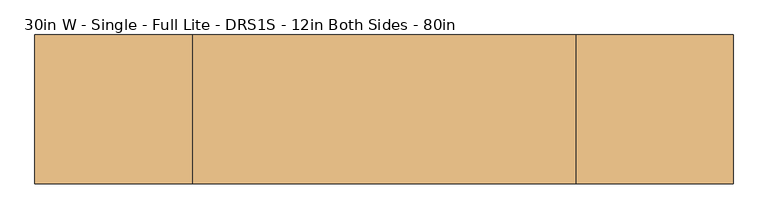
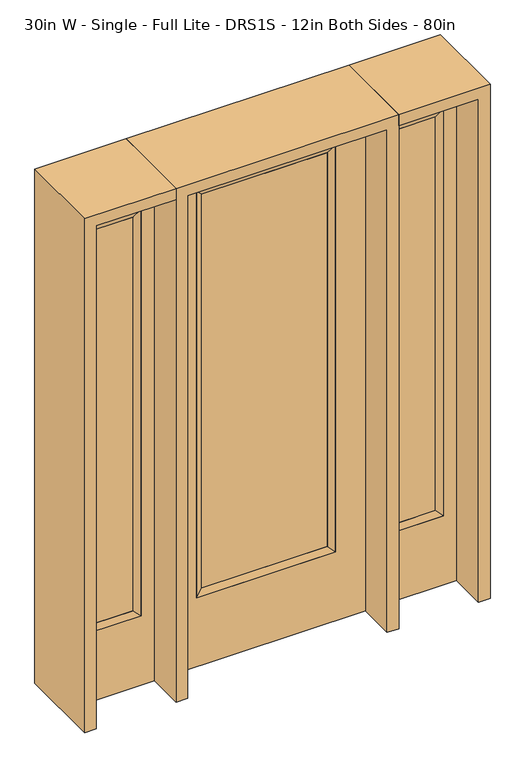
"""IFC4 building model written with IfcOpenShell, lengths in millimetres: door geometry, 30in W - Single - Full Lite - DRS1S - 12in Both Sides - 80in."""

import ifcopenshell
import ifcopenshell.guid

model = None  # the IFC model being written
_history = None  # IfcOwnerHistory: only IFC2X3 demands one
_inside = {}  # id of a spatial element -> (the spatial element, [elements in it])
_under = {}  # id of a project, library or spatial element -> (it, [spatial elements below it])
_declared = {}  # id of a project -> (the project, [libraries it declares])
_typed = {}  # id of a type object -> (the type object, [elements of that type])
_made_of = {}  # id of a material, layer set ... -> (it, [elements and type objects made of it])


def new_model(schema):
    """Start an empty IFC model of exactly this schema.

    Asked for "IFC4X3", IfcOpenShell would pick the latest addendum, in which some entities
    have other attributes; the version numbers below select the first issue.
    IFC2X3 requires an IfcOwnerHistory on every rooted entity: one is made here for all.
    """
    global model, _history
    if schema == "IFC4X3":
        model = ifcopenshell.file(schema_version=(4, 3, 0, 0))
    else:
        model = ifcopenshell.file(schema=schema)
    _inside.clear()
    _under.clear()
    _declared.clear()
    _typed.clear()
    _made_of.clear()
    _history = None
    if model.schema == "IFC2X3":
        org = make("IfcOrganization", Name="unknown")
        user = make(
            "IfcPersonAndOrganization",
            ThePerson=make("IfcPerson", FamilyName="unknown"),
            TheOrganization=org,
        )
        app = make(
            "IfcApplication",
            ApplicationDeveloper=org,
            Version="unknown",
            ApplicationFullName="unknown",
            ApplicationIdentifier="unknown",
        )
        _history = make(
            "IfcOwnerHistory",
            OwningUser=user,
            OwningApplication=app,
            ChangeAction="ADDED",
            CreationDate=0,
        )
    return model


def make(cls, **values):
    """One entity of the class cls with the attributes given. An attribute that is None is left unset."""
    return model.create_entity(
        cls, **{name: value for name, value in values.items() if value is not None}
    )


def rooted(cls, **values):
    """An entity with a GlobalId (a new one), such as an element, a storey or a relation."""
    return make(cls, GlobalId=ifcopenshell.guid.new(), OwnerHistory=_history, **values)


def si_unit(unit_type, name, prefix=None):
    """IfcSIUnit, for example si_unit("LENGTHUNIT", "METRE", prefix="MILLI")."""
    return make("IfcSIUnit", UnitType=unit_type, Prefix=prefix, Name=name)


def assignment(units):
    """IfcUnitAssignment: the units of a project."""
    return None if units is None else make("IfcUnitAssignment", Units=units)


def point(xyz):
    """IfcCartesianPoint."""
    return None if xyz is None else make("IfcCartesianPoint", Coordinates=xyz)


def direction(xyz):
    """IfcDirection."""
    return None if xyz is None else make("IfcDirection", DirectionRatios=xyz)


def frame(location, z_axis=None, x_axis=None):
    """IfcAxis2Placement3D, a coordinate frame: its origin and axes. An axis left out is left unset."""
    return make(
        "IfcAxis2Placement3D",
        Location=point(location),
        Axis=direction(z_axis),
        RefDirection=direction(x_axis),
    )


def origin():
    """The frame at (0, 0, 0) with its axes left unset."""
    return frame((0.0, 0.0, 0.0))


def place(relative_to, where):
    """IfcLocalPlacement: puts the frame where relative to a parent placement (None: the world)."""
    return make(
        "IfcLocalPlacement", PlacementRelTo=relative_to, RelativePlacement=where
    )


def context(
    kind, dimensions, precision=None, world=None, true_north=None, identifier=None
):
    """IfcGeometricRepresentationContext, for example the 3D "Model" context."""
    return make(
        "IfcGeometricRepresentationContext",
        ContextIdentifier=identifier,
        ContextType=kind,
        CoordinateSpaceDimension=dimensions,
        Precision=precision,
        WorldCoordinateSystem=world,
        TrueNorth=true_north,
    )


def project(units=None, contexts=None):
    """IfcProject with its units and contexts."""
    return rooted(
        "IfcProject",
        Name="project",
        RepresentationContexts=contexts,
        UnitsInContext=assignment(units),
    )


def spatial(cls, under=None, at=None, **own):
    """A site, building, storey or space (cls), placed at a placement, below another one or the project."""
    s = rooted(cls, ObjectPlacement=at, **own)
    if under is not None:
        _under.setdefault(under.id(), (under, []))[1].append(s)
    return s


def polyline(points):
    """IfcPolyline through the points."""
    return make("IfcPolyline", Points=[point(p) for p in points])


def outline(outer, holes=None, kind="AREA"):
    """IfcArbitraryClosedProfileDef: a profile drawn as a closed curve; with holes, ...WithVoids."""
    if holes is None:
        return make("IfcArbitraryClosedProfileDef", ProfileType=kind, OuterCurve=outer)
    return make(
        "IfcArbitraryProfileDefWithVoids",
        ProfileType=kind,
        OuterCurve=outer,
        InnerCurves=holes,
    )


def extrude(swept, where, along, depth):
    """IfcExtrudedAreaSolid: the profile swept, set in the frame where, extruded along a direction by depth."""
    return make(
        "IfcExtrudedAreaSolid",
        SweptArea=swept,
        Position=where,
        ExtrudedDirection=direction(along),
        Depth=depth,
    )


def faces_of(points, faces, orient=None, outer=None):
    """IfcFace entities. A face is a list of loops; a loop is a list of indices into points, from 0.

    orient and outer hold one flag for each loop. By default every Orientation is true, the
    first loop of a face is its IfcFaceOuterBound and the others are IfcFaceBound.
    """
    made = []
    for i, loops in enumerate(faces):
        bounds = []
        for j, loop in enumerate(loops):
            is_outer = j == 0 if outer is None else outer[i][j]
            bounds.append(
                make(
                    "IfcFaceOuterBound" if is_outer else "IfcFaceBound",
                    Bound=make("IfcPolyLoop", Polygon=[points[k] for k in loop]),
                    Orientation=True if orient is None else orient[i][j],
                )
            )
        made.append(make("IfcFace", Bounds=bounds))
    return made


def faceted_brep(points, faces, orient=None, outer=None, voids=None):
    """IfcFacetedBrep: a solid bounded by flat faces; with voids (closed shells), ...WithVoids."""
    shared = [point(p) for p in points]
    hull = make("IfcClosedShell", CfsFaces=faces_of(shared, faces, orient, outer))
    if voids is None:
        return make("IfcFacetedBrep", Outer=hull)
    return make(
        "IfcFacetedBrepWithVoids",
        Outer=hull,
        Voids=[
            make(cls, CfsFaces=faces_of(shared, fs, o, b)) for cls, fs, o, b in voids
        ],
    )


def shape(context_of_items, identifier, shape_type, items):
    """IfcShapeRepresentation: the items that make up one representation, for example the "Body"."""
    return make(
        "IfcShapeRepresentation",
        ContextOfItems=context_of_items,
        RepresentationIdentifier=identifier,
        RepresentationType=shape_type,
        Items=items,
    )


def source(mapping_origin, context_of_items, identifier, shape_type, items):
    """IfcRepresentationMap: a shape defined once, which mapped items show again and again."""
    return make(
        "IfcRepresentationMap",
        MappingOrigin=mapping_origin,
        MappedRepresentation=shape(context_of_items, identifier, shape_type, items),
    )


def transform(
    local_origin,
    x_axis=None,
    y_axis=None,
    z_axis=None,
    scale=None,
    scale2=None,
    scale3=None,
    uniform=True,
):
    """IfcCartesianTransformationOperator3D, or its non-uniform kind. x_axis, y_axis, z_axis: its Axis1, 2, 3."""
    if uniform:
        return make(
            "IfcCartesianTransformationOperator3D",
            Axis1=direction(x_axis),
            Axis2=direction(y_axis),
            LocalOrigin=point(local_origin),
            Scale=scale,
            Axis3=direction(z_axis),
        )
    return make(
        "IfcCartesianTransformationOperator3DnonUniform",
        Axis1=direction(x_axis),
        Axis2=direction(y_axis),
        LocalOrigin=point(local_origin),
        Scale=scale,
        Axis3=direction(z_axis),
        Scale2=scale2,
        Scale3=scale3,
    )


def mapped(mapping_source, mapping_target):
    """IfcMappedItem: shows the shape of a source again, moved by a transform."""
    return make(
        "IfcMappedItem", MappingSource=mapping_source, MappingTarget=mapping_target
    )


def made_of(thing, what):
    """Note that an element or type object is made of a material, layer set ...; save() writes the relation."""
    if what is not None:
        _made_of.setdefault(what.id(), (what, []))[1].append(thing)
    return thing


def element(
    cls,
    number,
    at=None,
    inside=None,
    cuts=None,
    type_object=None,
    material=None,
    context=None,
    identifier="Body",
    shape_type=None,
    held_by="IfcProductDefinitionShape",
    body=None,
    shapes=None,
    **own,
):
    """One element of the class cls, such as IfcWall. Its Tag is "e" and its number.

    at: its placement. inside: the storey or other place that contains it. cuts: it is an
    opening in that element (IfcRelVoidsElement). A single representation is given by context,
    identifier, shape_type and body (its items); several are given by shapes. held_by: the class
    of the entity that holds the representations. save() writes the other relations.
    """
    e = rooted(cls, Tag="e%d" % number, ObjectPlacement=at, **own)
    if body is not None:
        shapes = [shape(context, identifier, shape_type, body)]
    if shapes is not None:
        e.Representation = make(held_by, Representations=shapes)
    if inside is not None:
        _inside.setdefault(inside.id(), (inside, []))[1].append(e)
    if cuts is not None:
        rooted(
            "IfcRelVoidsElement", RelatingBuildingElement=cuts, RelatedOpeningElement=e
        )
    if type_object is not None:
        _typed.setdefault(type_object.id(), (type_object, []))[1].append(e)
    return made_of(e, material)


def aggregate(whole, parts):
    """IfcRelAggregates: a whole, such as a stair, and the parts it consists of."""
    return rooted("IfcRelAggregates", RelatingObject=whole, RelatedObjects=parts)


def save(model, path):
    """Write the relations noted so far, then the file.

    IfcRelAggregates (storeys below a building ...), IfcRelContainedInSpatialStructure (elements
    in a storey), IfcRelDefinesByType, IfcRelAssociatesMaterial and IfcRelDeclares: one each for
    every whole, place, type object, material and project.
    """
    for whole, parts in _under.values():
        aggregate(whole, parts)
    for where, things in _inside.values():
        rooted(
            "IfcRelContainedInSpatialStructure",
            RelatedElements=things,
            RelatingStructure=where,
        )
    for kind, things in _typed.values():
        rooted("IfcRelDefinesByType", RelatedObjects=things, RelatingType=kind)
    for what, things in _made_of.values():
        rooted("IfcRelAssociatesMaterial", RelatedObjects=things, RelatingMaterial=what)
    for by, libraries in _declared.values():
        rooted("IfcRelDeclares", RelatingContext=by, RelatedDefinitions=libraries)
    model.write(path)


def door_30in_w_single_full_lite_drs1s_12in_both_sides_80in_d35978b4(model_context):
    return source(origin(), model_context, "Body", "SolidModel", [
        extrude(outline(polyline([(240.1824, -12.7039749), (-240.1824, -12.7039749), (-240.1824, 14.2875), (240.1824, 14.2875), (240.1824, -12.7039749)])), frame((0.0, 0.0, 304.8), z_axis=(0.0, 0.0, 1.0), x_axis=(1.0, 0.0, 0.0)), (0.0, 0.0, 1.0), 1591.1576),
        faceted_brep([(240.1824, 14.2875, 1895.9576), (265.5824, 22.225, 1921.3576), (265.5824, 22.225, 279.4), (240.1824, 14.2875, 304.8), (265.5824, -22.225, 1921.3576), (265.5824, -22.225, 279.4), (-265.5824, 22.225, 279.4), (-240.1824, 14.2875, 304.8), (240.1824, -12.7039749, 1895.9576), (240.1824, -12.7039749, 304.8), (-240.1824, -12.7039749, 304.8), (-265.5824, -22.225, 279.4), (-265.5824, 22.225, 1921.3576), (-240.1824, 14.2875, 1895.9576), (-240.1824, -12.7039749, 1895.9576), (-265.5824, -22.225, 1921.3576)], [[[0, 1, 2, 3]], [[1, 4, 5, 2]], [[3, 2, 6, 7]], [[8, 0, 3, 9]], [[9, 3, 7, 10]], [[4, 8, 9, 5]], [[5, 9, 10, 11]], [[2, 5, 11, 6]], [[7, 6, 12, 13]], [[10, 7, 13, 14]], [[11, 10, 14, 15]], [[6, 11, 15, 12]], [[13, 12, 1, 0]], [[14, 13, 0, 8]], [[15, 14, 8, 4]], [[12, 15, 4, 1]]]),
        extrude(outline(polyline([(0.0, -381.0), (0.0, 381.0), (2032.0, 381.0), (2032.0, -381.0), (0.0, -381.0)]), holes=[polyline([(279.4, -265.5824), (1921.3576, -265.5824), (1921.3576, 265.5824), (279.4, 265.5824), (279.4, -265.5824)])]), frame((0.0, -22.225, 0.0), z_axis=(0.0, 1.0, 0.0), x_axis=(0.0, 0.0, 1.0)), (0.0, 0.0, 1.0), 44.45),
        faceted_brep([(476.25, 20.6375, 1920.875), (476.25, 20.6375, 279.4), (476.25, -20.6375, 279.4), (476.25, -20.6375, 1920.875), (501.65, -12.7, 304.8), (501.65, -12.7, 1895.475), (679.45, 20.6375, 279.4), (679.45, -20.6375, 279.4), (501.65, 12.7, 1895.475), (501.65, 12.7, 304.8), (654.05, 12.7, 304.8), (654.05, -12.7, 304.8), (679.45, 20.6375, 1920.875), (679.45, -20.6375, 1920.875), (654.05, 12.7, 1895.475), (654.05, -12.7, 1895.475)], [[[0, 1, 2, 3]], [[3, 2, 4, 5]], [[1, 6, 7, 2]], [[8, 9, 1, 0]], [[9, 10, 6, 1]], [[5, 4, 9, 8]], [[4, 11, 10, 9]], [[2, 7, 11, 4]], [[6, 12, 13, 7]], [[10, 14, 12, 6]], [[11, 15, 14, 10]], [[7, 13, 15, 11]], [[12, 0, 3, 13]], [[14, 8, 0, 12]], [[15, 5, 8, 14]], [[13, 3, 5, 15]]]),
        extrude(outline(polyline([(0.0, 730.25), (2032.0, 730.25), (2032.0, 425.45), (0.0, 425.45), (0.0, 730.25)]), holes=[polyline([(1920.875, 476.25), (1920.875, 679.45), (279.4, 679.45), (279.4, 476.25), (1920.875, 476.25)])]), frame((0.0, -20.6375, 0.0), z_axis=(0.0, 1.0, 0.0), x_axis=(0.0, 0.0, 1.0)), (0.0, 0.0, 1.0), 41.275),
        extrude(outline(polyline([(501.65, -12.7), (501.65, 12.7), (654.05, 12.7), (654.05, -12.7), (501.65, -12.7)])), frame((0.0, 0.0, 304.8), z_axis=(0.0, 0.0, 1.0), x_axis=(1.0, 0.0, 0.0)), (0.0, 0.0, 1.0), 1590.675),
        faceted_brep([(-476.25, 20.6375, 1920.875), (-476.25, -20.6375, 1920.875), (-476.25, -20.6375, 279.4), (-476.25, 20.6375, 279.4), (-501.65, -12.7, 1895.475), (-501.65, -12.7, 304.8), (-679.45, -20.6375, 279.4), (-679.45, 20.6375, 279.4), (-501.65, 12.7, 1895.475), (-501.65, 12.7, 304.8), (-654.05, 12.7, 304.8), (-654.05, -12.7, 304.8), (-679.45, -20.6375, 1920.875), (-679.45, 20.6375, 1920.875), (-654.05, 12.7, 1895.475), (-654.05, -12.7, 1895.475)], [[[0, 1, 2, 3]], [[1, 4, 5, 2]], [[3, 2, 6, 7]], [[8, 0, 3, 9]], [[9, 3, 7, 10]], [[4, 8, 9, 5]], [[5, 9, 10, 11]], [[2, 5, 11, 6]], [[7, 6, 12, 13]], [[10, 7, 13, 14]], [[11, 10, 14, 15]], [[6, 11, 15, 12]], [[13, 12, 1, 0]], [[14, 13, 0, 8]], [[15, 14, 8, 4]], [[12, 15, 4, 1]]]),
        extrude(outline(polyline([(0.0, -730.25), (0.0, -425.45), (2032.0, -425.45), (2032.0, -730.25), (0.0, -730.25)]), holes=[polyline([(1920.875, -476.25), (279.4, -476.25), (279.4, -679.45), (1920.875, -679.45), (1920.875, -476.25)])]), frame((0.0, -20.6375, 0.0), z_axis=(0.0, 1.0, 0.0), x_axis=(0.0, 0.0, 1.0)), (0.0, 0.0, 1.0), 41.275),
        extrude(outline(polyline([(-501.65, -12.7), (-654.05, -12.7), (-654.05, 12.7), (-501.65, 12.7), (-501.65, -12.7)])), frame((0.0, 0.0, 304.8), z_axis=(0.0, 0.0, 1.0), x_axis=(1.0, 0.0, 0.0)), (0.0, 0.0, 1.0), 1590.675),
        extrude(outline(polyline([(2032.0, -425.45), (2076.45, -425.45), (2076.45, -774.7), (0.0, -774.7), (0.0, -730.25), (2032.0, -730.25), (2032.0, -425.45)])), frame((0.0, -165.1, 0.0), z_axis=(0.0, 1.0, 0.0), x_axis=(0.0, 0.0, 1.0)), (0.0, 0.0, 1.0), 330.2),
        extrude(outline(polyline([(2076.45, -425.45), (0.0, -425.45), (0.0, -381.0), (2032.0, -381.0), (2032.0, 381.0), (0.0, 381.0), (0.0, 425.45), (2076.45, 425.45), (2076.45, -425.45)])), frame((0.0, -165.1, 0.0), z_axis=(0.0, 1.0, 0.0), x_axis=(0.0, 0.0, 1.0)), (0.0, 0.0, 1.0), 330.2),
        extrude(outline(polyline([(0.0, 730.25), (0.0, 774.7), (2076.45, 774.7), (2076.45, 425.45), (2032.0, 425.45), (2032.0, 730.25), (0.0, 730.25)])), frame((0.0, -165.1, 0.0), z_axis=(0.0, 1.0, 0.0), x_axis=(0.0, 0.0, 1.0)), (0.0, 0.0, 1.0), 330.2),
    ])


if __name__ == "__main__":
    model = new_model("IFC4")
    model_context = context("Model", 3, world=origin())
    ifc_project = project(units=[si_unit("LENGTHUNIT", "METRE", prefix="MILLI")], contexts=[model_context])
    site = spatial("IfcSite", under=ifc_project)
    building = spatial("IfcBuilding", under=site)
    placement = place(None, origin())
    door_30in_w_single_full_lite_drs1s_12in_both_sides_80in_shape = door_30in_w_single_full_lite_drs1s_12in_both_sides_80in_d35978b4(model_context)
    element("IfcDoor", 1, ObjectType="30in W - Single - Full Lite - DRS1S - 12in Both Sides - 80in", at=placement, inside=building, context=model_context, shape_type="MappedRepresentation", body=[
        mapped(door_30in_w_single_full_lite_drs1s_12in_both_sides_80in_shape, transform((0.0, 0.0, 0.0), x_axis=(1.0, 0.0, 0.0), y_axis=(0.0, 1.0, 0.0), z_axis=(0.0, 0.0, 1.0))),
    ])
    save(model, "model.ifc")
